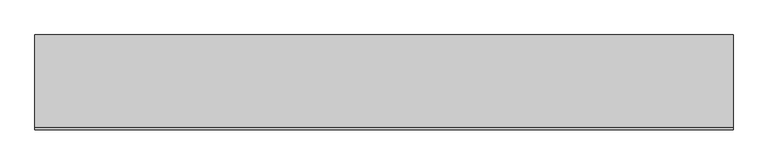
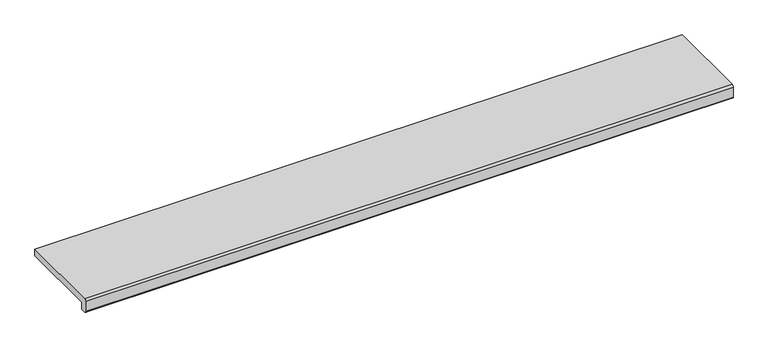
"""IFC4 building model written with IfcOpenShell, lengths in millimetres: proxy geometry."""

from ifc_helpers import new_model, si_unit, point, frame, frame_2d, origin, place, context, project, spatial, polyline, circle_curve, trimmed, segment, composite_curve, outline, extrude, source, transform, mapped, element, save


def generic_models_c1d738c9(model_context):
    return source(origin(), model_context, "Body", "SweptSolid", [
        extrude(outline(composite_curve([segment(polyline([(-245.0, 30.0), (0.0, 30.0), (0.0, 10.0), (-230.0, 10.0), (-230.0, -10.0), (-245.0, -10.0)]), True, "CONTINUOUS"), segment(trimmed(circle_curve(frame_2d((-245.0, -5.0)), 5.0), [point((-245.0, -10.0))], [point((-250.0, -5.0))], False, "CARTESIAN"), True, "CONTINUOUS"), segment(polyline([(-250.0, -5.0), (-250.0, 25.0)]), True, "CONTINUOUS"), segment(trimmed(circle_curve(frame_2d((-245.0, 25.0)), 5.0), [point((-250.0, 25.0))], [point((-245.0, 30.0))], False, "CARTESIAN"), True, "CONTINUOUS")], self_intersect=False)), frame((-920.0, 0.0, 0.0), z_axis=(1.0, 0.0, 0.0), x_axis=(0.0, 1.0, 0.0)), (0.0, 0.0, 1.0), 1840.0),
    ])


if __name__ == "__main__":
    model = new_model("IFC4")
    model_context = context("Model", 3, world=origin())
    ifc_project = project(units=[si_unit("LENGTHUNIT", "METRE", prefix="MILLI")], contexts=[model_context])
    site = spatial("IfcSite", under=ifc_project)
    building = spatial("IfcBuilding", under=site)
    placement = place(None, origin())
    generic_models_shape = generic_models_c1d738c9(model_context)
    element("IfcBuildingElementProxy", 1, Name="Generic Models", at=placement, inside=building, context=model_context, shape_type="MappedRepresentation", body=[
        mapped(generic_models_shape, transform((0.0, 0.0, 0.0), x_axis=(1.0, 0.0, 0.0), y_axis=(0.0, 1.0, 0.0), z_axis=(0.0, 0.0, 1.0))),
    ])
    save(model, "model.ifc")
